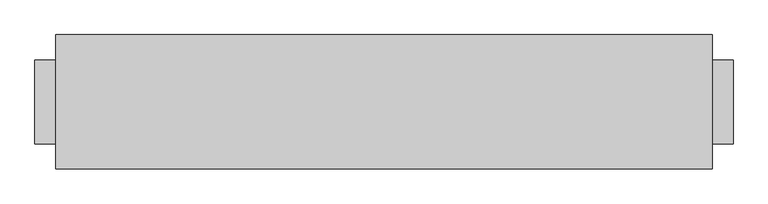
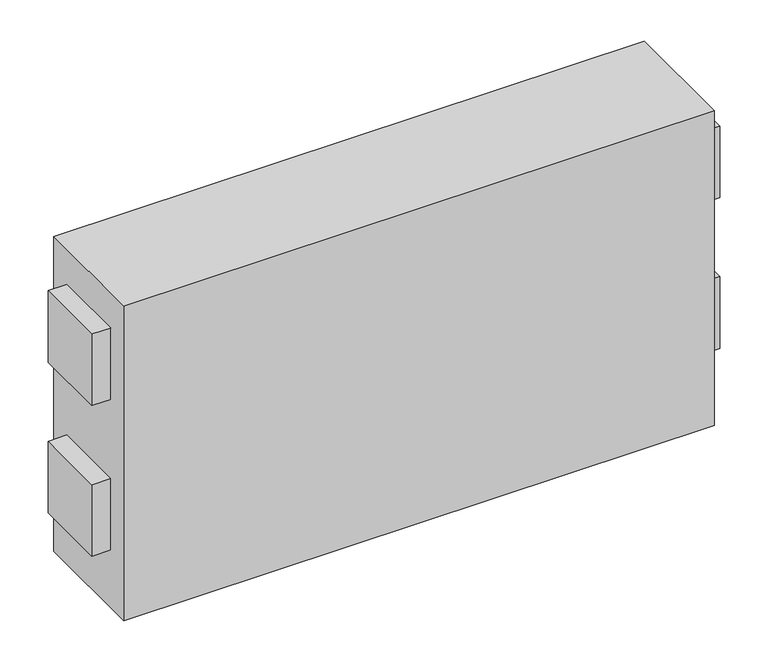
"""IFC4 building model written with IfcOpenShell, lengths in millimetres: proxy geometry."""

from ifc_helpers import new_model, si_unit, frame, origin, origin_with_axes, place, context, project, spatial, polyline, outline, extrude, source, transform, mapped, element, save


def mechanical_equipment_34bd42fb(model_context):
    return source(origin(), model_context, "Body", "SweptSolid", [
        extrude(outline(polyline([(2025.0, 250.0), (2025.0, -250.0), (1900.0, -250.0), (1900.0, 250.0), (2025.0, 250.0)])), frame((0.0, 0.0, 403.753996), z_axis=(0.0, 0.0, 1.0), x_axis=(1.0, 0.0, 0.0)), (0.0, 0.0, 1.0), 500.0),
        extrude(outline(polyline([(2025.0, 250.0), (2025.0, -250.0), (1900.0, -250.0), (1900.0, 250.0), (2025.0, 250.0)])), frame((0.0, 0.0, 1456.073666), z_axis=(0.0, 0.0, 1.0), x_axis=(1.0, 0.0, 0.0)), (0.0, 0.0, 1.0), 500.0),
        extrude(outline(polyline([(-2000.0, 250.0), (-2000.0, -250.0), (-2125.0, -250.0), (-2125.0, 250.0), (-2000.0, 250.0)])), frame((0.0, 0.0, 1456.073666), z_axis=(0.0, 0.0, 1.0), x_axis=(1.0, 0.0, 0.0)), (0.0, 0.0, 1.0), 500.0),
        extrude(outline(polyline([(-2000.0, 250.0), (-2000.0, -250.0), (-2125.0, -250.0), (-2125.0, 250.0), (-2000.0, 250.0)])), frame((0.0, 0.0, 403.753996), z_axis=(0.0, 0.0, 1.0), x_axis=(1.0, 0.0, 0.0)), (0.0, 0.0, 1.0), 500.0),
        extrude(outline(polyline([(1900.0, 400.0), (1900.0, -400.0), (-2000.0, -400.0), (-2000.0, 400.0), (1900.0, 400.0)])), origin_with_axes(), (0.0, 0.0, 1.0), 2200.0),
    ])


if __name__ == "__main__":
    model = new_model("IFC4")
    model_context = context("Model", 3, world=origin())
    ifc_project = project(units=[si_unit("LENGTHUNIT", "METRE", prefix="MILLI")], contexts=[model_context])
    site = spatial("IfcSite", under=ifc_project)
    building = spatial("IfcBuilding", under=site)
    placement = place(None, origin())
    mechanical_equipment_shape = mechanical_equipment_34bd42fb(model_context)
    element("IfcBuildingElementProxy", 1, Name="Mechanical Equipment", at=placement, inside=building, context=model_context, shape_type="MappedRepresentation", body=[
        mapped(mechanical_equipment_shape, transform((0.0, 0.0, 0.0), x_axis=(1.0, 0.0, 0.0), y_axis=(0.0, 1.0, 0.0), z_axis=(0.0, 0.0, 1.0))),
    ])
    save(model, "model.ifc")
